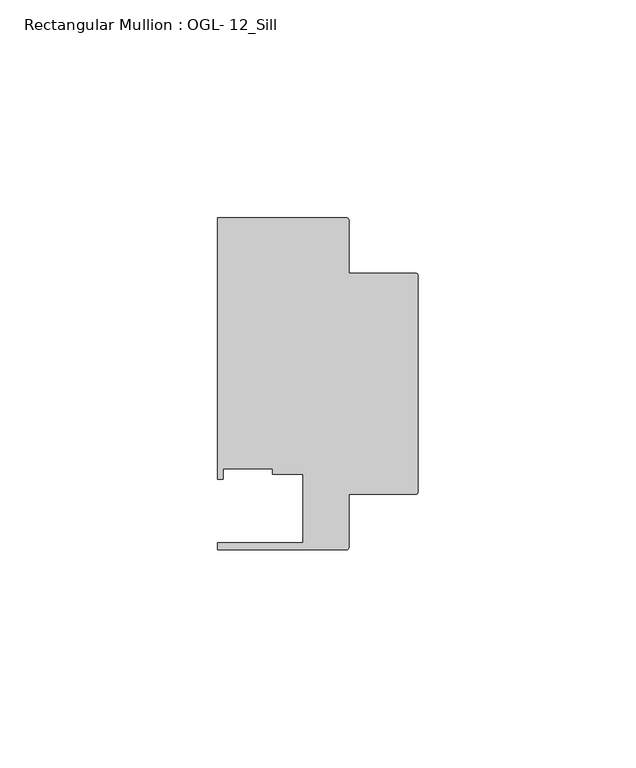
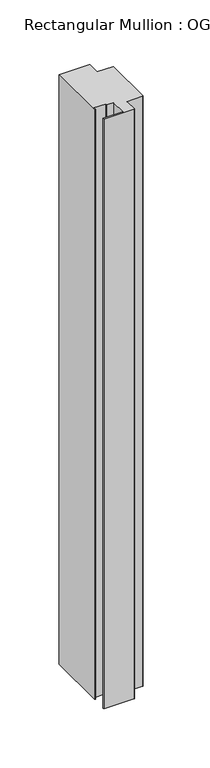
"""IFC4 building model written with IfcOpenShell, lengths in millimetres: member geometry, Rectangular Mullion : OGL- 12_Sill."""

from ifc_helpers import new_model, si_unit, point, frame, frame_2d, origin, place, context, project, spatial, polyline, circle_curve, trimmed, segment, composite_curve, outline, extrude, source, transform, mapped, element, save


def rectangular_mullion_ogl_12_sill_fc5b9023(model_context):
    return source(origin(), model_context, "Body", "SweptSolid", [
        extrude(outline(composite_curve([segment(trimmed(circle_curve(frame_2d((-0.5953125, 24.8046875)), 0.5953125), [point((-0.5953125, 25.4))], [point((0.0, 24.8046875))], False, "CARTESIAN"), True, "CONTINUOUS"), segment(polyline([(0.0, 24.8046875), (0.0, -24.8046875)]), True, "CONTINUOUS"), segment(trimmed(circle_curve(frame_2d((-0.5953125, -24.8046875)), 0.5953125), [point((0.0, -24.8046875))], [point((-0.5953125, -25.4))], False, "CARTESIAN"), True, "CONTINUOUS"), segment(polyline([(-0.5953125, -25.4), (-15.8750672, -25.4), (-15.8750672, -37.5047035)]), True, "CONTINUOUS"), segment(trimmed(circle_curve(frame_2d((-16.4703797, -37.5047035)), 0.5953125), [point((-15.8750672, -37.5047035))], [point((-16.4703797, -38.100016))], False, "CARTESIAN"), True, "CONTINUOUS"), segment(polyline([(-16.4703797, -38.100016), (-46.0248655, -38.100016), (-46.0248655, -36.512516), (-26.3720794, -36.512516), (-26.3720794, -20.8257348), (-33.3985545, -20.8257348), (-33.3985545, -19.4824275), (-44.7780305, -19.4824275), (-44.7780305, -21.9710976), (-46.0339598, -21.9710976), (-46.0339598, 38.0996792), (-16.4703797, 38.0996792)]), True, "CONTINUOUS"), segment(trimmed(circle_curve(frame_2d((-16.4703797, 37.5043667)), 0.5953125), [point((-16.4703797, 38.0996792))], [point((-15.8750672, 37.5043667))], False, "CARTESIAN"), True, "CONTINUOUS"), segment(polyline([(-15.8750672, 37.5043667), (-15.8750672, 25.4), (-0.5953125, 25.4)]), True, "CONTINUOUS")], self_intersect=False)), frame((0.0, 0.0, -609.6), z_axis=(0.0, 0.0, 1.0), x_axis=(1.0, 0.0, 0.0)), (0.0, 0.0, 1.0), 609.6),
    ])


if __name__ == "__main__":
    model = new_model("IFC4")
    model_context = context("Model", 3, world=origin())
    ifc_project = project(units=[si_unit("LENGTHUNIT", "METRE", prefix="MILLI")], contexts=[model_context])
    site = spatial("IfcSite", under=ifc_project)
    building = spatial("IfcBuilding", under=site)
    placement = place(None, origin())
    rectangular_mullion_ogl_12_sill_shape = rectangular_mullion_ogl_12_sill_fc5b9023(model_context)
    element("IfcMember", 1, ObjectType="Rectangular Mullion : OGL- 12_Sill", at=placement, inside=building, context=model_context, shape_type="MappedRepresentation", body=[
        mapped(rectangular_mullion_ogl_12_sill_shape, transform((0.0, 0.0, 0.0), x_axis=(1.0, 0.0, 0.0), y_axis=(0.0, 1.0, 0.0), z_axis=(0.0, 0.0, 1.0))),
    ])
    save(model, "model.ifc")
